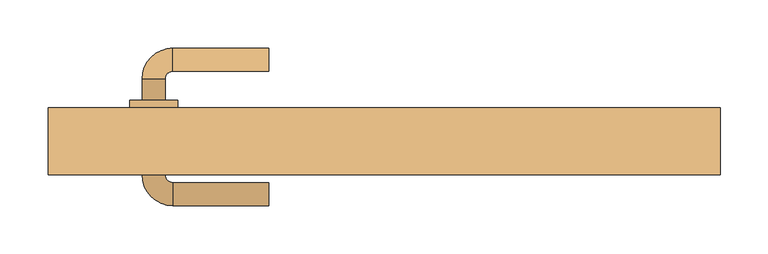
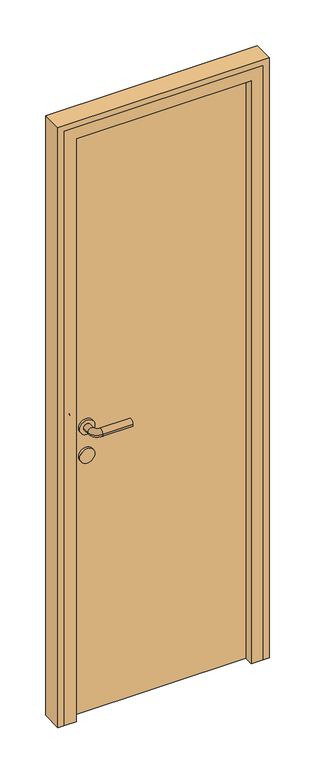
"""IFC4 building model written with IfcOpenShell, lengths in millimetres: door geometry."""

from ifc_helpers import new_model, si_unit, point, frame, frame_2d, origin, origin_with_axes, place, context, project, spatial, polyline, circle_curve, ellipse_curve, trimmed, segment, composite_curve, outline, extrude, faceted_brep, source, transform, mapped, element, save
from ifc_brep_helpers import plane_surface, cylinder_surface, revolved_surface, advanced_brep


def door_dad034bd(model_context):
    return source(origin(), model_context, "Body", "SolidModel", [
        advanced_brep(
        [(-120.0, 57.0, 1000.0), (-120.0, 33.0, 1000.0), (-220.0, 57.0, 1000.0), (-220.0, 33.0, 1000.0), (-252.0, 25.0, 1000.0), (-228.0, 25.0, 1000.0), (-252.0, 3.0, 1000.0), (-228.0, 3.0, 1000.0), (-252.0, -75.0, 1000.0), (-228.0, -75.0, 1000.0), (-228.0, -53.0, 1000.0), (-252.0, -53.0, 1000.0), (-220.0, -107.0, 1000.0), (-220.0, -83.0, 1000.0), (-120.0, -107.0, 1000.0), (-120.0, -83.0, 1000.0), (-265.0, 3.0, 1000.0), (-215.0, 3.0, 1000.0), (-265.0, -53.0, 1000.0), (-215.0, -53.0, 1000.0)],
        [
            (0, 1, circle_curve(frame((-120.0, 45.0, 1000.0), z_axis=(1.0, 0.0, 0.0), x_axis=(0.0, -1.0, 0.0)), 12.0)),
            (1, 0, circle_curve(frame((-120.0, 45.0, 1000.0), z_axis=(1.0, 0.0, 0.0), x_axis=(0.0, -1.0, 0.0)), 12.0)),
            (0, 2),
            (2, 3, circle_curve(frame((-220.0, 45.0, 1000.0), z_axis=(1.0, 0.0, 0.0), x_axis=(0.0, -1.0, 0.0)), 12.0)),
            (3, 1),
            (3, 2, circle_curve(frame((-220.0, 45.0, 1000.0), z_axis=(1.0, 0.0, 0.0), x_axis=(0.0, -1.0, 0.0)), 12.0)),
            (2, 4, circle_curve(frame((-220.0, 25.0, 1000.0), z_axis=(0.0, 0.0, 1.0), x_axis=(0.0, 1.0, 0.0)), 32.0)),
            (4, 5, circle_curve(frame((-240.0, 25.0, 1000.0), z_axis=(0.0, 1.0, 0.0), x_axis=(1.0, 0.0, 0.0)), 12.0)),
            (5, 3, circle_curve(frame((-220.0, 25.0, 1000.0), z_axis=(0.0, 0.0, -1.0), x_axis=(0.0, 1.0, 0.0)), 8.0)),
            (5, 4, circle_curve(frame((-240.0, 25.0, 1000.0), z_axis=(0.0, 1.0, 0.0), x_axis=(1.0, 0.0, 0.0)), 12.0)),
            (4, 6),
            (6, 7, circle_curve(frame((-240.0, 3.0, 1000.0), z_axis=(0.0, 1.0, 0.0), x_axis=(1.0, 0.0, 0.0)), 12.0)),
            (7, 5),
            (8, 9, circle_curve(frame((-240.0, -75.0, 1000.0), z_axis=(0.0, 1.0, 0.0), x_axis=(1.0, 0.0, 0.0)), 12.0)),
            (9, 10),
            (10, 11, circle_curve(frame((-240.0, -53.0, 1000.0), z_axis=(0.0, -1.0, 0.0), x_axis=(1.0, 0.0, 0.0)), 12.0)),
            (11, 8),
            (7, 6, circle_curve(frame((-240.0, 3.0, 1000.0), z_axis=(0.0, 1.0, 0.0), x_axis=(1.0, 0.0, 0.0)), 12.0)),
            (9, 8, circle_curve(frame((-240.0, -75.0, 1000.0), z_axis=(0.0, 1.0, 0.0), x_axis=(1.0, 0.0, 0.0)), 12.0)),
            (11, 10, circle_curve(frame((-240.0, -53.0, 1000.0), z_axis=(0.0, -1.0, 0.0), x_axis=(1.0, 0.0, 0.0)), 12.0)),
            (8, 12, circle_curve(frame((-220.0, -75.0, 1000.0), z_axis=(0.0, 0.0, 1.0), x_axis=(-1.0, 0.0, 0.0)), 32.0)),
            (12, 13, circle_curve(frame((-220.0, -95.0, 1000.0), z_axis=(-1.0, 0.0, 0.0), x_axis=(0.0, 1.0, 0.0)), 12.0)),
            (13, 9, circle_curve(frame((-220.0, -75.0, 1000.0), z_axis=(0.0, 0.0, -1.0), x_axis=(-1.0, 0.0, 0.0)), 8.0)),
            (13, 12, circle_curve(frame((-220.0, -95.0, 1000.0), z_axis=(-1.0, 0.0, 0.0), x_axis=(0.0, 1.0, 0.0)), 12.0)),
            (14, 15, circle_curve(frame((-120.0, -95.0, 1000.0), z_axis=(1.0, 0.0, 0.0), x_axis=(0.0, 1.0, 0.0)), 12.0)),
            (15, 14, circle_curve(frame((-120.0, -95.0, 1000.0), z_axis=(1.0, 0.0, 0.0), x_axis=(0.0, 1.0, 0.0)), 12.0)),
            (12, 14),
            (15, 13),
            (16, 17, circle_curve(frame((-240.0, 3.0, 1000.0), z_axis=(0.0, 1.0, 0.0), x_axis=(1.0, 0.0, 0.0)), 25.0)),
            (17, 16, circle_curve(frame((-240.0, 3.0, 1000.0), z_axis=(0.0, 1.0, 0.0), x_axis=(1.0, 0.0, 0.0)), 25.0)),
            (18, 19, circle_curve(frame((-240.0, -53.0, 1000.0), z_axis=(0.0, -1.0, 0.0), x_axis=(1.0, 0.0, 0.0)), 25.0)),
            (19, 18, circle_curve(frame((-240.0, -53.0, 1000.0), z_axis=(0.0, -1.0, 0.0), x_axis=(1.0, 0.0, 0.0)), 25.0)),
            (17, 19),
            (18, 16),
        ],
        [
            plane_surface(frame((-120.0, 45.0, 1000.0), z_axis=(1.0, 0.0, 0.0), x_axis=(0.0, 0.0, 1.0))),
            cylinder_surface(frame((-120.0, 45.0, 1000.0), z_axis=(1.0, 0.0, 0.0), x_axis=(0.0, -1.0, 0.0)), 12.0),
            revolved_surface(trimmed(ellipse_curve(frame((-220.0, 45.0, 1000.0), z_axis=(1.0, 0.0, 0.0), x_axis=(0.0, -1.0, 0.0)), 12.0, 12.0), [point((-220.0, 57.0, 1000.0))], [point((-220.0, 33.0, 1000.0))], True, "CARTESIAN"), (-220.0, 25.0, 1000.0), (0.0, 0.0, 1.0)),
            revolved_surface(trimmed(ellipse_curve(frame((-220.0, 45.0, 1000.0), z_axis=(1.0, 0.0, 0.0), x_axis=(0.0, -1.0, 0.0)), 12.0, 12.0), [point((-220.0, 33.0, 1000.0))], [point((-220.0, 57.0, 1000.0))], True, "CARTESIAN"), (-220.0, 25.0, 1000.0), (0.0, 0.0, 1.0)),
            cylinder_surface(frame((-240.0, 25.0, 1000.0), z_axis=(0.0, 1.0, 0.0), x_axis=(1.0, 0.0, 0.0)), 12.0),
            revolved_surface(trimmed(ellipse_curve(frame((-240.0, -75.0, 1000.0), z_axis=(0.0, 1.0, 0.0), x_axis=(1.0, 0.0, 0.0)), 12.0, 12.0), [point((-252.0, -75.0, 1000.0))], [point((-228.0, -75.0, 1000.0))], True, "CARTESIAN"), (-220.0, -75.0, 1000.0), (0.0, 0.0, 1.0)),
            revolved_surface(trimmed(ellipse_curve(frame((-240.0, -75.0, 1000.0), z_axis=(0.0, 1.0, 0.0), x_axis=(1.0, 0.0, 0.0)), 12.0, 12.0), [point((-228.0, -75.0, 1000.0))], [point((-252.0, -75.0, 1000.0))], True, "CARTESIAN"), (-220.0, -75.0, 1000.0), (0.0, 0.0, 1.0)),
            plane_surface(frame((-120.0, -95.0, 1000.0), z_axis=(1.0, 0.0, 0.0), x_axis=(0.0, 0.0, 1.0))),
            cylinder_surface(frame((-220.0, -95.0, 1000.0), z_axis=(-1.0, 0.0, 0.0), x_axis=(0.0, 1.0, 0.0)), 12.0),
            plane_surface(frame((-215.0, 3.0, 1000.0), z_axis=(0.0, 1.0, 0.0), x_axis=(0.0, 0.0, -1.0))),
            plane_surface(frame((-215.0, -53.0, 1000.0), z_axis=(0.0, -1.0, 0.0), x_axis=(0.0, 0.0, 1.0))),
            cylinder_surface(frame((-240.0, 3.0, 1000.0), z_axis=(0.0, -1.0, 0.0), x_axis=(1.0, 0.0, 0.0)), 25.0),
        ],
        [
            (0, [[1, 2]]),
            (1, [[-1, 3, 4, 5]]),
            (1, [[-2, -5, 6, -3]]),
            (2, [[-4, 7, 8, 9]]),
            (3, [[-6, -9, 10, -7]]),
            (4, [[-8, 11, 12, 13]]),
            (4, [[14, 15, 16, 17]]),
            (4, [[-10, -13, 18, -11]]),
            (4, [[19, -17, 20, -15]]),
            (5, [[-14, 21, 22, 23]]),
            (6, [[-19, -23, 24, -21]]),
            (7, [[25, 26]]),
            (8, [[-22, 27, -26, 28]]),
            (8, [[-24, -28, -25, -27]]),
            (9, [[29, 30], [-12, -18]]),
            (10, [[31, 32], [-16, -20]]),
            (11, [[-30, 33, -31, 34]]),
            (11, [[-29, -34, -32, -33]]),
        ],
    ),
        extrude(outline(composite_curve([segment(trimmed(circle_curve(frame_2d((900.0, -240.0)), 25.0), [point((900.0, -265.0))], [point((900.0, -215.0))], False, "CARTESIAN"), True, "CONTINUOUS"), segment(trimmed(circle_curve(frame_2d((900.0, -240.0)), 25.0), [point((900.0, -215.0))], [point((900.0, -265.0))], False, "CARTESIAN"), True, "CONTINUOUS")], self_intersect=False)), frame((0.0, -53.0, 0.0), z_axis=(0.0, 1.0, 0.0), x_axis=(0.0, 0.0, 1.0)), (0.0, 0.0, 1.0), 56.0),
        extrude(outline(polyline([(300.0, -45.0), (-300.0, -45.0), (-300.0, -5.0), (300.0, -5.0), (300.0, -45.0)])), origin_with_axes(), (0.0, 0.0, 1.0), 2050.0),
        extrude(outline(polyline([(0.0, 350.0), (2100.0, 350.0), (2100.0, -350.0), (0.0, -350.0), (0.0, -330.0), (2080.0, -330.0), (2080.0, 330.0), (0.0, 330.0), (0.0, 350.0)])), frame((0.0, -75.0, 0.0), z_axis=(0.0, 1.0, 0.0), x_axis=(0.0, 0.0, 1.0)), (0.0, 0.0, 1.0), 70.0),
        faceted_brep([(-330.0, -75.0, 0.0), (-330.0, -5.0, 0.0), (-300.0, -5.0, 0.0), (-300.0, -45.0, 0.0), (-290.0, -45.0, 0.0), (-290.0, -75.0, 0.0), (-330.0, -75.0, 2080.0), (-330.0, -5.0, 2080.0), (330.0, -5.0, 2080.0), (330.0, -5.0, 0.0), (300.0, -5.0, 0.0), (300.0, -5.0, 2050.0), (-300.0, -5.0, 2050.0), (-300.0, -45.0, 2050.0), (300.0, -45.0, 2050.0), (300.0, -45.0, 0.0), (290.0, -45.0, 0.0), (290.0, -45.0, 2040.0), (-290.0, -45.0, 2040.0), (-290.0, -75.0, 2040.0), (290.0, -75.0, 2040.0), (290.0, -75.0, 0.0), (330.0, -75.0, 0.0), (330.0, -75.0, 2080.0)], [[[0, 1, 2, 3, 4, 5]], [[1, 0, 6, 7]], [[2, 1, 7, 8, 9, 10, 11, 12]], [[3, 2, 12, 13]], [[4, 3, 13, 14, 15, 16, 17, 18]], [[5, 4, 18, 19]], [[0, 5, 19, 20, 21, 22, 23, 6]], [[7, 6, 23, 8]], [[13, 12, 11, 14]], [[19, 18, 17, 20]], [[22, 21, 16, 15, 10, 9]], [[8, 23, 22, 9]], [[14, 11, 10, 15]], [[20, 17, 16, 21]]]),
    ])


if __name__ == "__main__":
    model = new_model("IFC4")
    model_context = context("Model", 3, world=origin())
    ifc_project = project(units=[si_unit("LENGTHUNIT", "METRE", prefix="MILLI")], contexts=[model_context])
    site = spatial("IfcSite", under=ifc_project)
    building = spatial("IfcBuilding", under=site)
    placement = place(None, origin())
    door_shape = door_dad034bd(model_context)
    element("IfcDoor", 1, at=placement, inside=building, context=model_context, shape_type="MappedRepresentation", body=[
        mapped(door_shape, transform((0.0, 0.0, 0.0), x_axis=(1.0, 0.0, 0.0), y_axis=(0.0, 1.0, 0.0), z_axis=(0.0, 0.0, 1.0))),
    ])
    save(model, "model.ifc")
